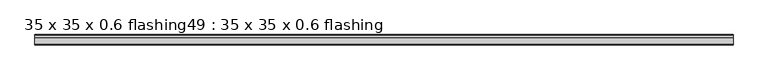
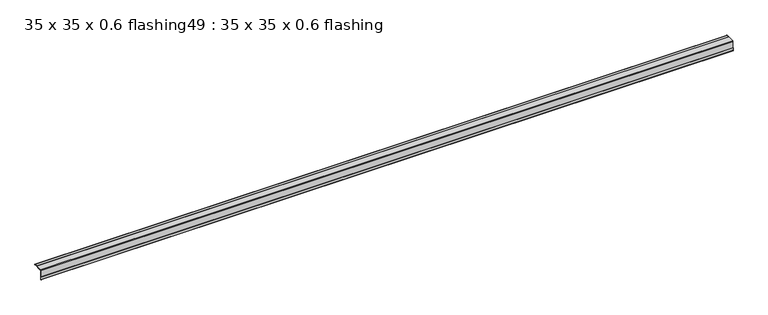
"""IFC4 building model written with IfcOpenShell, lengths in millimetres: proxy geometry, 35 x 35 x 0.6 flashing49 : 35 x 35 x 0.6 flashing."""

from ifc_helpers import new_model, si_unit, point, frame, frame_2d, origin, place, context, project, spatial, polyline, circle_curve, trimmed, segment, composite_curve, outline, extrude, source, transform, mapped, element, save


def proxy_35_x_35_x_0_6_flashing49_35_x_35_x_0_6_flashing_216c2bf3(model_context):
    return source(origin(), model_context, "Body", "SweptSolid", [
        extrude(outline(composite_curve([segment(polyline([(-23174.024157, 1425.3887139), (-23174.024157, 1426.3887139), (-23165.0223729, 1426.3887139)]), True, "CONTINUOUS"), segment(trimmed(circle_curve(frame_2d((-23165.0223729, 1425.3887139)), 1.0), [point((-23165.0223729, 1426.3887139))], [point((-23165.0223729, 1424.3887139))], False, "CARTESIAN"), True, "CONTINUOUS"), segment(polyline([(-23165.0223729, 1424.3887139), (-23196.524157, 1424.3887139)]), True, "CONTINUOUS"), segment(trimmed(circle_curve(frame_2d((-23196.524157, 1422.8887139)), 1.5), [point((-23196.524157, 1424.3887139))], [point((-23198.024157, 1422.8887139))], True, "CARTESIAN"), True, "CONTINUOUS"), segment(polyline([(-23198.024157, 1422.8887139), (-23198.024157, 1391.3560365)]), True, "CONTINUOUS"), segment(trimmed(circle_curve(frame_2d((-23199.024157, 1391.3560365)), 1.0), [point((-23198.024157, 1391.3560365))], [point((-23200.024157, 1391.3560365))], False, "CARTESIAN"), True, "CONTINUOUS"), segment(polyline([(-23200.024157, 1391.3560365), (-23200.024157, 1400.3887139), (-23199.024157, 1400.3887139), (-23199.024157, 1422.8887139)]), True, "CONTINUOUS"), segment(trimmed(circle_curve(frame_2d((-23196.524157, 1422.8887139)), 2.5), [point((-23199.024157, 1422.8887139))], [point((-23196.524157, 1425.3887139))], False, "CARTESIAN"), True, "CONTINUOUS"), segment(polyline([(-23196.524157, 1425.3887139), (-23174.024157, 1425.3887139)]), True, "CONTINUOUS")], self_intersect=False)), frame((-10619.6640929, 0.0, 0.0), z_axis=(1.0, 0.0, 0.0), x_axis=(0.0, 1.0, 0.0)), (0.0, 0.0, 1.0), 2410.6438934),
    ])


if __name__ == "__main__":
    model = new_model("IFC4")
    model_context = context("Model", 3, world=origin())
    ifc_project = project(units=[si_unit("LENGTHUNIT", "METRE", prefix="MILLI")], contexts=[model_context])
    site = spatial("IfcSite", under=ifc_project)
    building = spatial("IfcBuilding", under=site)
    placement = place(None, origin())
    proxy_35_x_35_x_0_6_flashing49_35_x_35_x_0_6_flashing_shape = proxy_35_x_35_x_0_6_flashing49_35_x_35_x_0_6_flashing_216c2bf3(model_context)
    element("IfcBuildingElementProxy", 1, Name="35 x 35 x 0.6 flashing49 : 35 x 35 x 0.6 flashing", ObjectType="35 x 35 x 0.6 flashing49 : 35 x 35 x 0.6 flashing", at=placement, inside=building, context=model_context, shape_type="MappedRepresentation", body=[
        mapped(proxy_35_x_35_x_0_6_flashing49_35_x_35_x_0_6_flashing_shape, transform((0.0, 0.0, 0.0), x_axis=(1.0, 0.0, 0.0), y_axis=(0.0, 1.0, 0.0), z_axis=(0.0, 0.0, 1.0))),
    ])
    save(model, "model.ifc")
